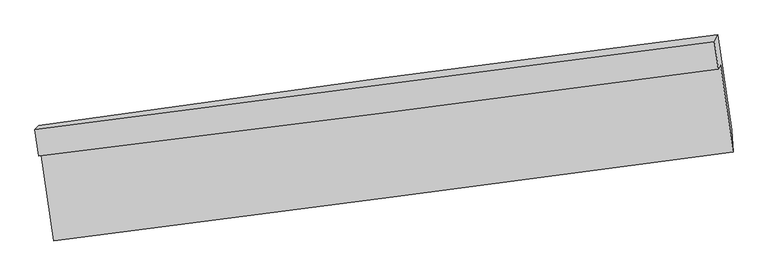
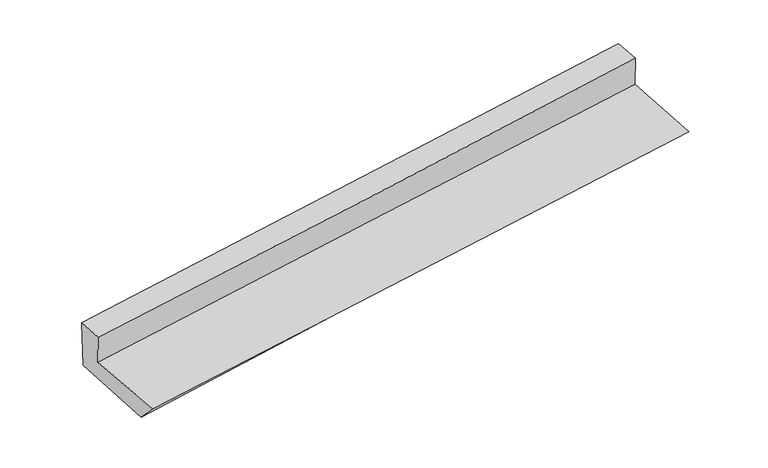
"""IFC4 building model written with IfcOpenShell, lengths in millimetres: proxy geometry."""

from ifc_helpers import new_model, si_unit, frame, origin, place, context, project, spatial, source, transform, mapped, element, save
from ifc_brep_helpers import plane_surface, spline_curve, spline_surface, advanced_brep


def generic_models_1cf79e46(model_context):
    return source(origin(), model_context, "Body", "AdvancedBrep", [
        advanced_brep(
        [(-2392.2618998, -1830.1376524, 1757.9199613), (-2303.3402436, -2451.7366754, 1706.3484214), (2434.2817693, -1832.5335453, 2060.3810082), (2347.0502866, -1222.7471947, 2131.1021138), (-2407.5181214, -1859.9999514, 2000.4352884), (2331.4709625, -1253.2890125, 2378.7810418), (-2434.5977643, -1673.2533609, 2020.5076471), (2303.9324651, -1059.8890604, 2399.6008028), (-2407.0019126, -1646.9845339, 1629.3346991), (2327.7450895, -1012.6791735, 2020.1404384), (-2310.800476, -2302.400321, 1544.3186852), (2424.8584684, -1677.7152353, 1918.098034)],
        [
            (0, 1),
            (1, 2, spline_curve(3, [(-2303.3402436, -2451.7366754, 1706.3484214), (-1513.650923451, -2349.495384495, 1765.946770146), (-724.000319051, -2246.773935821, 1825.24896414), (855.207016957, -2040.372872495, 1943.259814007), (1644.763749995, -1936.69327755, 2001.968482168), (2434.2817693, -1832.5335453, 2060.3810082)], [4, 2, 4], [0.0, 7.86069968147913, 15.721235683540062])),
            (2, 3),
            (3, 0, spline_curve(3, [(2347.0502866, -1222.7471947, 2131.1021138), (1557.307171152, -1329.051641184, 2075.827329018), (767.497043759, -1432.819235155, 2017.09178367), (-812.273682118, -1635.282826966, 1892.697876821), (-1602.234283698, -1733.97871858, 1827.039371344), (-2392.2618998, -1830.1376524, 1757.9199613)], [4, 2, 4], [0.0, 7.860536002060932, 15.721235683540062])),
            (4, 0),
            (3, 5),
            (5, 4, spline_curve(3, [(2331.4709625, -1253.2890125, 2378.7810418), (1542.368593794, -1358.34736421, 2313.344727333), (752.905767593, -1461.43527914, 2249.098072989), (-826.75724523, -1663.672340823, 2122.982772579), (-1616.957447333, -1762.821405515, 2061.11417553), (-2407.5181214, -1859.9999514, 2000.4352884)], [4, 2, 4], [0.0, 7.861882941812237, 15.72392959108991])),
            (6, 4),
            (5, 7),
            (7, 6, spline_curve(3, [(2303.9324651, -1059.8890604, 2399.6008028), (1514.271437217, -1161.656406601, 2334.513025951), (724.5675159, -1263.653236566, 2270.378360224), (-854.942558746, -1468.107994086, 2144.013935351), (-1644.748713916, -1570.565930588, 2081.784215857), (-2434.5977643, -1673.2533609, 2020.5076471)], [4, 2, 4], [0.0, 7.862217806363009, 15.724599327164315])),
            (8, 6),
            (7, 9),
            (9, 8, spline_curve(3, [(2327.7450895, -1012.6791735, 2020.1404384), (1537.009326743, -1110.444180084, 1961.68642454), (747.083294756, -1212.184871673, 1899.892646367), (-831.165739872, -1423.619826053, 1769.624205962), (-1619.48870826, -1533.31425463, 1701.149404164), (-2407.0019126, -1646.9845339, 1629.3346991)], [4, 2, 4], [0.0, 7.8625376822996085, 15.72523908569827])),
            (10, 8),
            (9, 11),
            (11, 10, spline_curve(3, [(2424.8584684, -1677.7152353, 1918.098034), (1634.120152135, -1772.076992248, 1857.607854985), (844.116849656, -1871.314368291, 1796.21482018), (-734.436162337, -2079.542527047, 1671.621741637), (-1522.985841541, -2188.533512795, 1608.421660063), (-2310.800476, -2302.400321, 1544.3186852)], [4, 2, 4], [0.0, 7.861211633219107, 15.722586959925035])),
            (1, 10),
            (11, 2),
        ],
        [
            spline_surface(3, 3, [[(-2392.2618998, -1830.1376524, 1757.9199613), (-1602.234283639, -1733.978718608, 1827.039371387), (-812.273682192, -1635.28282685, 1892.697876888), (767.497043833, -1432.819235271, 2017.091783603), (1557.307171155, -1329.051641185, 2075.827328916), (2347.0502866, -1222.7471947, 2131.1021138)], [(-2362.621347744, -2037.33732673, 1740.729448015), (-1572.706496949, -1939.150940527, 1806.675170965), (-782.849227839, -1839.113196497, 1870.21490596), (796.733701524, -1635.337114319, 1992.48112708), (1586.459364129, -1531.598853354, 2051.207713371), (2376.127447492, -1426.009311578, 2107.528411933)], [(-2332.980795656, -2244.53700107, 1723.538934685), (-1543.178710226, -2144.323162455, 1786.310970498), (-753.42477342, -2042.943566198, 1847.731935037), (825.970359282, -1837.854993422, 1967.87047056), (1615.611557125, -1734.146065488, 2026.588097827), (2405.204608408, -1629.271428422, 2083.954710067)], [(-2303.3402436, -2451.7366754, 1706.3484214), (-1513.650923536, -2349.495384373, 1765.946770076), (-724.000319067, -2246.773935845, 1825.248964109), (855.207016973, -2040.37287247, 1943.259814037), (1644.7637501, -1936.693277657, 2001.968482282), (2434.2817693, -1832.5335453, 2060.3810082)]], [4, 4], [4, 2, 4], [0.0, 2.0337242714229506], [0.0, 7.86069968147913, 15.721235683540062]),
            spline_surface(3, 3, [[(-2407.5181214, -1859.9999514, 2000.4352884), (-1616.957447204, -1762.821405561, 2061.114175489), (-826.757245296, -1663.672340816, 2122.982772455), (752.905767659, -1461.435279146, 2249.098073113), (1542.368593718, -1358.347364208, 2313.344727322), (2331.4709625, -1253.2890125, 2378.7810418)], [(-2402.432714196, -1850.045851762, 1919.596846019), (-1612.049726011, -1753.207176605, 1983.089240775), (-821.929390927, -1654.209169513, 2046.221140585), (757.769526384, -1451.896597873, 2171.762643262), (1547.34811955, -1348.582123176, 2234.172261203), (2336.664070553, -1243.108406543, 2296.22139915)], [(-2397.347307004, -1840.091752038, 1838.758403681), (-1607.142004831, -1743.592947564, 1905.064306102), (-817.101536561, -1644.745998153, 1969.459508758), (762.633285107, -1442.357916544, 2094.427213454), (1552.327645323, -1338.816882217, 2154.999795034), (2341.857178547, -1232.927800657, 2213.66175645)], [(-2392.2618998, -1830.1376524, 1757.9199613), (-1602.234283639, -1733.978718608, 1827.039371387), (-812.273682192, -1635.28282685, 1892.697876888), (767.497043833, -1432.819235271, 2017.091783603), (1557.307171155, -1329.051641185, 2075.827328916), (2347.0502866, -1222.7471947, 2131.1021138)]], [4, 4], [4, 2, 4], [0.0, 0.7655825764371565], [0.0, 7.862046649277673, 15.72392959108991]),
            spline_surface(3, 3, [[(-2434.5977643, -1673.2533609, 2020.5076471), (-1644.74871388, -1570.565930583, 2081.784215847), (-854.942558766, -1468.107993972, 2144.013935324), (724.56751592, -1263.65323668, 2270.37836025), (1514.271437261, -1161.656406489, 2334.513026007), (2303.9324651, -1059.8890604, 2399.6008028)], [(-2425.57121667, -1735.502224379, 2013.816860893), (-1635.484958325, -1634.651088888, 2074.89420242), (-845.54745426, -1533.296109583, 2137.003547716), (734.01359985, -1329.580584165, 2263.28493122), (1523.637156071, -1227.220059082, 2327.456926452), (2313.111964224, -1124.35571112, 2392.660882473)], [(-2416.54466903, -1797.751087921, 2007.126074607), (-1626.221202759, -1698.736247255, 2068.004188916), (-836.152349803, -1598.484225205, 2129.993160063), (743.45968373, -1395.507931661, 2256.191502144), (1533.002874908, -1292.783711615, 2320.400826878), (2322.291463376, -1188.82236178, 2385.720962127)], [(-2407.5181214, -1859.9999514, 2000.4352884), (-1616.957447204, -1762.821405561, 2061.114175489), (-826.757245296, -1663.672340816, 2122.982772455), (752.905767659, -1461.435279146, 2249.098073113), (1542.368593718, -1358.347364208, 2313.344727322), (2331.4709625, -1253.2890125, 2378.7810418)]], [4, 4], [4, 2, 4], [0.0, 0.6555659087120542], [0.0, 7.862381520801306, 15.724599327164315]),
            spline_surface(3, 3, [[(-2407.0019126, -1646.9845339, 1629.3346991), (-1619.488708383, -1533.31425473, 1701.149404055), (-831.165739762, -1423.619826144, 1769.624205831), (747.083294646, -1212.184871581, 1899.892646498), (1537.009326754, -1110.444180039, 1961.686424511), (2327.7450895, -1012.6791735, 2020.1404384)], [(-2416.200529837, -1655.740809584, 1759.725681745), (-1627.90871022, -1545.731480032, 1828.027674631), (-839.091346114, -1438.449215417, 1894.42078234), (739.578035053, -1229.340993278, 2023.387884426), (1529.430030273, -1127.514922194, 2085.961958332), (2319.80754805, -1028.415802472, 2146.627226523)], [(-2425.399147063, -1664.497085216, 1890.116664455), (-1636.328712043, -1558.148705281, 1954.905945271), (-847.016952414, -1453.278604699, 2019.217358815), (732.072775513, -1246.497114983, 2146.883122322), (1521.850733742, -1144.585664334, 2210.237492186), (2311.87000655, -1044.152431428, 2273.114014677)], [(-2434.5977643, -1673.2533609, 2020.5076471), (-1644.74871388, -1570.565930583, 2081.784215847), (-854.942558766, -1468.107993972, 2144.013935324), (724.56751592, -1263.65323668, 2270.37836025), (1514.271437261, -1161.656406489, 2334.513026007), (2303.9324651, -1059.8890604, 2399.6008028)]], [4, 4], [4, 2, 4], [0.0, 1.2343439961622944], [0.0, 7.8627014033986615, 15.72523908569827]),
            spline_surface(3, 3, [[(-2310.800476, -2302.400321, 1544.3186852), (-1522.985841457, -2188.53351289, 1608.421660156), (-734.436162366, -2079.542527094, 1671.621741585), (844.116849685, -1871.314368244, 1796.214820232), (1634.120152112, -1772.076992143, 1857.607855108), (2424.8584684, -1677.7152353, 1918.098034)], [(-2342.867621547, -2083.928391967, 1572.657356498), (-1555.153463779, -1970.127093504, 1639.33090812), (-766.67935481, -1860.901626772, 1704.289229642), (811.77233136, -1651.604536018, 1830.774095628), (1601.74987699, -1551.53272144, 1892.300711582), (2392.487342098, -1456.036548032, 1952.112168806)], [(-2374.934767053, -1865.456462933, 1600.996027802), (-1587.321086061, -1751.720674117, 1670.240156091), (-798.922547318, -1642.260726466, 1736.956717775), (779.427812971, -1431.894703807, 1865.333371101), (1569.379601876, -1330.988450742, 1926.993568037), (2360.116215802, -1234.357860768, 1986.126303594)], [(-2407.0019126, -1646.9845339, 1629.3346991), (-1619.488708383, -1533.31425473, 1701.149404055), (-831.165739762, -1423.619826144, 1769.624205831), (747.083294646, -1212.184871581, 1899.892646498), (1537.009326754, -1110.444180039, 1961.686424511), (2327.7450895, -1012.6791735, 2020.1404384)]], [4, 4], [4, 2, 4], [0.0, 2.2054841614313916], [0.0, 7.861375326705928, 15.722586959925035]),
            spline_surface(3, 3, [[(-2303.3402436, -2451.7366754, 1706.3484214), (-1513.650923536, -2349.495384373, 1765.946770076), (-724.000319067, -2246.773935845, 1825.248964109), (855.207016973, -2040.37287247, 1943.259814037), (1644.7637501, -1936.693277657, 2001.968482282), (2434.2817693, -1832.5335453, 2060.3810082)], [(-2305.826987705, -2401.957890578, 1652.33850933), (-1516.762562815, -2295.84142719, 1713.438400099), (-727.4789335, -2191.03013294, 1774.03988995), (851.510294544, -1984.02003774, 1894.244816117), (1641.215884087, -1881.821182475, 1953.848273206), (2431.140668983, -1780.927441956, 2012.953350116)], [(-2308.313731895, -2352.179105822, 1598.32859727), (-1519.874202178, -2242.187470074, 1660.930030133), (-730.957547934, -2135.286329999, 1722.830815745), (847.813572114, -1927.667202974, 1845.229818152), (1637.668018125, -1826.949087325, 1905.728064184), (2427.999568717, -1729.321338644, 1965.525692084)], [(-2310.800476, -2302.400321, 1544.3186852), (-1522.985841457, -2188.53351289, 1608.421660156), (-734.436162366, -2079.542527094, 1671.621741585), (844.116849685, -1871.314368244, 1796.214820232), (1634.120152112, -1772.076992143, 1857.607855108), (2424.8584684, -1677.7152353, 1918.098034)]], [4, 4], [4, 2, 4], [0.0, 0.7408418947180833], [0.0, 7.859599082501806, 15.719034508502634]),
            plane_surface(frame((2361.5565069, -1343.1422036, 2151.3505732), z_axis=(0.9881059637119124, 0.13225136247879826, 0.0784613382466456), x_axis=(-0.06215341112065245, -0.12322268504070015, 0.9904307766711552))),
            plane_surface(frame((-2375.9200696, -1960.7520825, 1776.4774504), z_axis=(-0.9877443538263635, -0.13476779868757774, -0.07873202601892354), x_axis=(-0.14113623543422935, 0.9866004507281558, 0.08185422206858783))),
        ],
        [
            (0, [[1, 2, 3, 4]]),
            (1, [[5, -4, 6, 7]]),
            (2, [[8, -7, 9, 10]]),
            (3, [[11, -10, 12, 13]]),
            (4, [[14, -13, 15, 16]]),
            (5, [[17, -16, 18, -2]]),
            (6, [[-12, -9, -6, -3, -18, -15]]),
            (7, [[-1, -5, -8, -11, -14, -17]]),
        ],
    ),
    ])


if __name__ == "__main__":
    model = new_model("IFC4")
    model_context = context("Model", 3, world=origin())
    ifc_project = project(units=[si_unit("LENGTHUNIT", "METRE", prefix="MILLI")], contexts=[model_context])
    site = spatial("IfcSite", under=ifc_project)
    building = spatial("IfcBuilding", under=site)
    placement = place(None, origin())
    generic_models_shape = generic_models_1cf79e46(model_context)
    element("IfcBuildingElementProxy", 1, Name="Generic Models", at=placement, inside=building, context=model_context, shape_type="MappedRepresentation", body=[
        mapped(generic_models_shape, transform((0.0, 0.0, 0.0), x_axis=(1.0, 0.0, 0.0), y_axis=(0.0, 1.0, 0.0), z_axis=(0.0, 0.0, 1.0))),
    ])
    save(model, "model.ifc")
